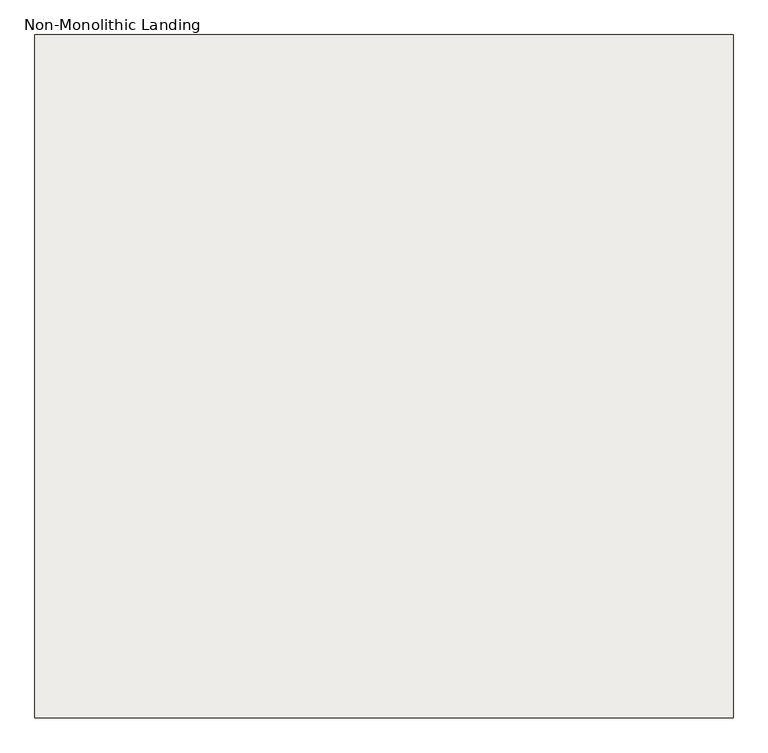
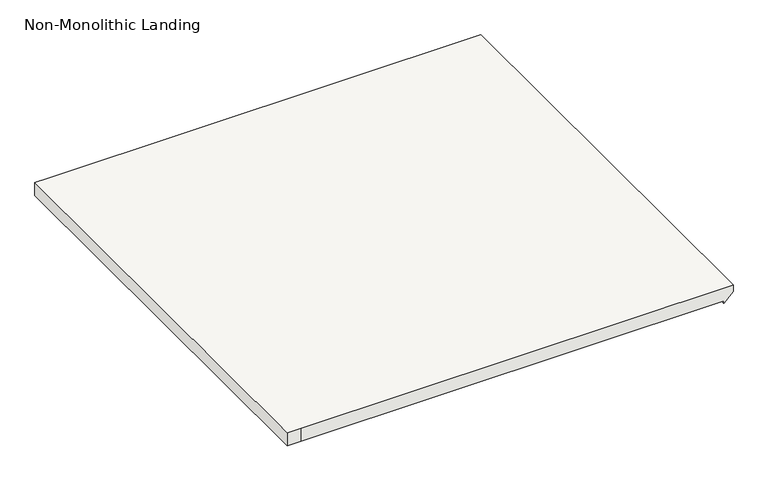
"""IFC4 building model written with IfcOpenShell, lengths in millimetres: slab geometry, Non-Monolithic Landing."""

import ifcopenshell
import ifcopenshell.guid

model = None  # the IFC model being written
_history = None  # IfcOwnerHistory: only IFC2X3 demands one
_inside = {}  # id of a spatial element -> (the spatial element, [elements in it])
_under = {}  # id of a project, library or spatial element -> (it, [spatial elements below it])
_declared = {}  # id of a project -> (the project, [libraries it declares])
_typed = {}  # id of a type object -> (the type object, [elements of that type])
_made_of = {}  # id of a material, layer set ... -> (it, [elements and type objects made of it])


def new_model(schema):
    """Start an empty IFC model of exactly this schema.

    Asked for "IFC4X3", IfcOpenShell would pick the latest addendum, in which some entities
    have other attributes; the version numbers below select the first issue.
    IFC2X3 requires an IfcOwnerHistory on every rooted entity: one is made here for all.
    """
    global model, _history
    if schema == "IFC4X3":
        model = ifcopenshell.file(schema_version=(4, 3, 0, 0))
    else:
        model = ifcopenshell.file(schema=schema)
    _inside.clear()
    _under.clear()
    _declared.clear()
    _typed.clear()
    _made_of.clear()
    _history = None
    if model.schema == "IFC2X3":
        org = make("IfcOrganization", Name="unknown")
        user = make(
            "IfcPersonAndOrganization",
            ThePerson=make("IfcPerson", FamilyName="unknown"),
            TheOrganization=org,
        )
        app = make(
            "IfcApplication",
            ApplicationDeveloper=org,
            Version="unknown",
            ApplicationFullName="unknown",
            ApplicationIdentifier="unknown",
        )
        _history = make(
            "IfcOwnerHistory",
            OwningUser=user,
            OwningApplication=app,
            ChangeAction="ADDED",
            CreationDate=0,
        )
    return model


def make(cls, **values):
    """One entity of the class cls with the attributes given. An attribute that is None is left unset."""
    return model.create_entity(
        cls, **{name: value for name, value in values.items() if value is not None}
    )


def rooted(cls, **values):
    """An entity with a GlobalId (a new one), such as an element, a storey or a relation."""
    return make(cls, GlobalId=ifcopenshell.guid.new(), OwnerHistory=_history, **values)


def si_unit(unit_type, name, prefix=None):
    """IfcSIUnit, for example si_unit("LENGTHUNIT", "METRE", prefix="MILLI")."""
    return make("IfcSIUnit", UnitType=unit_type, Prefix=prefix, Name=name)


def assignment(units):
    """IfcUnitAssignment: the units of a project."""
    return None if units is None else make("IfcUnitAssignment", Units=units)


def point(xyz):
    """IfcCartesianPoint."""
    return None if xyz is None else make("IfcCartesianPoint", Coordinates=xyz)


def direction(xyz):
    """IfcDirection."""
    return None if xyz is None else make("IfcDirection", DirectionRatios=xyz)


def frame(location, z_axis=None, x_axis=None):
    """IfcAxis2Placement3D, a coordinate frame: its origin and axes. An axis left out is left unset."""
    return make(
        "IfcAxis2Placement3D",
        Location=point(location),
        Axis=direction(z_axis),
        RefDirection=direction(x_axis),
    )


def origin():
    """The frame at (0, 0, 0) with its axes left unset."""
    return frame((0.0, 0.0, 0.0))


def place(relative_to, where):
    """IfcLocalPlacement: puts the frame where relative to a parent placement (None: the world)."""
    return make(
        "IfcLocalPlacement", PlacementRelTo=relative_to, RelativePlacement=where
    )


def context(
    kind, dimensions, precision=None, world=None, true_north=None, identifier=None
):
    """IfcGeometricRepresentationContext, for example the 3D "Model" context."""
    return make(
        "IfcGeometricRepresentationContext",
        ContextIdentifier=identifier,
        ContextType=kind,
        CoordinateSpaceDimension=dimensions,
        Precision=precision,
        WorldCoordinateSystem=world,
        TrueNorth=true_north,
    )


def project(units=None, contexts=None):
    """IfcProject with its units and contexts."""
    return rooted(
        "IfcProject",
        Name="project",
        RepresentationContexts=contexts,
        UnitsInContext=assignment(units),
    )


def spatial(cls, under=None, at=None, **own):
    """A site, building, storey or space (cls), placed at a placement, below another one or the project."""
    s = rooted(cls, ObjectPlacement=at, **own)
    if under is not None:
        _under.setdefault(under.id(), (under, []))[1].append(s)
    return s


def faces_of(points, faces, orient=None, outer=None):
    """IfcFace entities. A face is a list of loops; a loop is a list of indices into points, from 0.

    orient and outer hold one flag for each loop. By default every Orientation is true, the
    first loop of a face is its IfcFaceOuterBound and the others are IfcFaceBound.
    """
    made = []
    for i, loops in enumerate(faces):
        bounds = []
        for j, loop in enumerate(loops):
            is_outer = j == 0 if outer is None else outer[i][j]
            bounds.append(
                make(
                    "IfcFaceOuterBound" if is_outer else "IfcFaceBound",
                    Bound=make("IfcPolyLoop", Polygon=[points[k] for k in loop]),
                    Orientation=True if orient is None else orient[i][j],
                )
            )
        made.append(make("IfcFace", Bounds=bounds))
    return made


def faceted_brep(points, faces, orient=None, outer=None, voids=None):
    """IfcFacetedBrep: a solid bounded by flat faces; with voids (closed shells), ...WithVoids."""
    shared = [point(p) for p in points]
    hull = make("IfcClosedShell", CfsFaces=faces_of(shared, faces, orient, outer))
    if voids is None:
        return make("IfcFacetedBrep", Outer=hull)
    return make(
        "IfcFacetedBrepWithVoids",
        Outer=hull,
        Voids=[
            make(cls, CfsFaces=faces_of(shared, fs, o, b)) for cls, fs, o, b in voids
        ],
    )


def shape(context_of_items, identifier, shape_type, items):
    """IfcShapeRepresentation: the items that make up one representation, for example the "Body"."""
    return make(
        "IfcShapeRepresentation",
        ContextOfItems=context_of_items,
        RepresentationIdentifier=identifier,
        RepresentationType=shape_type,
        Items=items,
    )


def source(mapping_origin, context_of_items, identifier, shape_type, items):
    """IfcRepresentationMap: a shape defined once, which mapped items show again and again."""
    return make(
        "IfcRepresentationMap",
        MappingOrigin=mapping_origin,
        MappedRepresentation=shape(context_of_items, identifier, shape_type, items),
    )


def transform(
    local_origin,
    x_axis=None,
    y_axis=None,
    z_axis=None,
    scale=None,
    scale2=None,
    scale3=None,
    uniform=True,
):
    """IfcCartesianTransformationOperator3D, or its non-uniform kind. x_axis, y_axis, z_axis: its Axis1, 2, 3."""
    if uniform:
        return make(
            "IfcCartesianTransformationOperator3D",
            Axis1=direction(x_axis),
            Axis2=direction(y_axis),
            LocalOrigin=point(local_origin),
            Scale=scale,
            Axis3=direction(z_axis),
        )
    return make(
        "IfcCartesianTransformationOperator3DnonUniform",
        Axis1=direction(x_axis),
        Axis2=direction(y_axis),
        LocalOrigin=point(local_origin),
        Scale=scale,
        Axis3=direction(z_axis),
        Scale2=scale2,
        Scale3=scale3,
    )


def mapped(mapping_source, mapping_target):
    """IfcMappedItem: shows the shape of a source again, moved by a transform."""
    return make(
        "IfcMappedItem", MappingSource=mapping_source, MappingTarget=mapping_target
    )


def made_of(thing, what):
    """Note that an element or type object is made of a material, layer set ...; save() writes the relation."""
    if what is not None:
        _made_of.setdefault(what.id(), (what, []))[1].append(thing)
    return thing


def element(
    cls,
    number,
    at=None,
    inside=None,
    cuts=None,
    type_object=None,
    material=None,
    context=None,
    identifier="Body",
    shape_type=None,
    held_by="IfcProductDefinitionShape",
    body=None,
    shapes=None,
    **own,
):
    """One element of the class cls, such as IfcWall. Its Tag is "e" and its number.

    at: its placement. inside: the storey or other place that contains it. cuts: it is an
    opening in that element (IfcRelVoidsElement). A single representation is given by context,
    identifier, shape_type and body (its items); several are given by shapes. held_by: the class
    of the entity that holds the representations. save() writes the other relations.
    """
    e = rooted(cls, Tag="e%d" % number, ObjectPlacement=at, **own)
    if body is not None:
        shapes = [shape(context, identifier, shape_type, body)]
    if shapes is not None:
        e.Representation = make(held_by, Representations=shapes)
    if inside is not None:
        _inside.setdefault(inside.id(), (inside, []))[1].append(e)
    if cuts is not None:
        rooted(
            "IfcRelVoidsElement", RelatingBuildingElement=cuts, RelatedOpeningElement=e
        )
    if type_object is not None:
        _typed.setdefault(type_object.id(), (type_object, []))[1].append(e)
    return made_of(e, material)


def aggregate(whole, parts):
    """IfcRelAggregates: a whole, such as a stair, and the parts it consists of."""
    return rooted("IfcRelAggregates", RelatingObject=whole, RelatedObjects=parts)


def save(model, path):
    """Write the relations noted so far, then the file.

    IfcRelAggregates (storeys below a building ...), IfcRelContainedInSpatialStructure (elements
    in a storey), IfcRelDefinesByType, IfcRelAssociatesMaterial and IfcRelDeclares: one each for
    every whole, place, type object, material and project.
    """
    for whole, parts in _under.values():
        aggregate(whole, parts)
    for where, things in _inside.values():
        rooted(
            "IfcRelContainedInSpatialStructure",
            RelatedElements=things,
            RelatingStructure=where,
        )
    for kind, things in _typed.values():
        rooted("IfcRelDefinesByType", RelatedObjects=things, RelatingType=kind)
    for what, things in _made_of.values():
        rooted("IfcRelAssociatesMaterial", RelatedObjects=things, RelatingMaterial=what)
    for by, libraries in _declared.values():
        rooted("IfcRelDeclares", RelatingContext=by, RelatedDefinitions=libraries)
    model.write(path)


def non_monolithic_landing_c31f9c7f(model_context):
    return source(origin(), model_context, "Body", "Brep", [
        faceted_brep([(19298.7243946, 9606.9304572, 2217.1428571), (19260.7243946, 9606.9304572, 2217.1428571), (19260.7243946, 8394.9304572, 2217.1428571), (19298.7243946, 8394.9304572, 2217.1428571), (20498.7264359, 8394.9304572, 2217.1428571), (20498.7264359, 9606.9304572, 2217.1428571), (19298.7243946, 9606.9304572, 2179.1428571), (20473.3264359, 9606.9304572, 2179.1428571), (20473.3264359, 8394.9304572, 2179.1428571), (19298.7243946, 8394.9304572, 2179.1428571), (19260.7243946, 8394.9304572, 2179.1428571), (19260.7243946, 9606.9304572, 2179.1428571), (20498.7264359, 9606.9304572, 2198.0928571), (20473.3264359, 9606.9304572, 2172.6928571), (20473.3264359, 8394.9304572, 2172.6928571), (20498.7264359, 8394.9304572, 2198.0928571)], [[[0, 1, 2, 3, 4, 5]], [[6, 7, 8, 9, 10, 11]], [[0, 5, 12, 13, 7, 6]], [[1, 0, 6, 11]], [[2, 1, 11, 10]], [[3, 2, 10, 9]], [[4, 3, 9, 8, 14, 15]], [[12, 5, 4, 15]], [[13, 12, 15, 14]], [[13, 14, 8, 7]]]),
    ])


if __name__ == "__main__":
    model = new_model("IFC4")
    model_context = context("Model", 3, world=origin())
    ifc_project = project(units=[si_unit("LENGTHUNIT", "METRE", prefix="MILLI")], contexts=[model_context])
    site = spatial("IfcSite", under=ifc_project)
    building = spatial("IfcBuilding", under=site)
    placement = place(None, origin())
    non_monolithic_landing_shape = non_monolithic_landing_c31f9c7f(model_context)
    element("IfcSlab", 1, ObjectType="Non-Monolithic Landing", at=placement, inside=building, context=model_context, shape_type="MappedRepresentation", body=[
        mapped(non_monolithic_landing_shape, transform((0.0, 0.0, 0.0), x_axis=(1.0, 0.0, 0.0), y_axis=(0.0, 1.0, 0.0), z_axis=(0.0, 0.0, 1.0))),
    ])
    save(model, "model.ifc")
